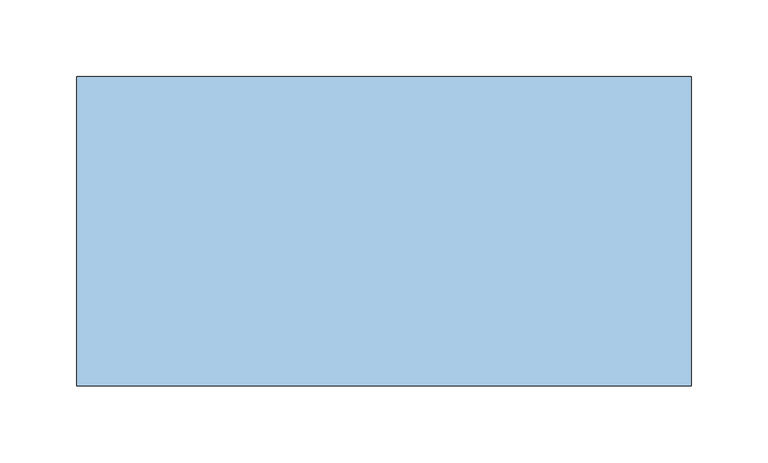
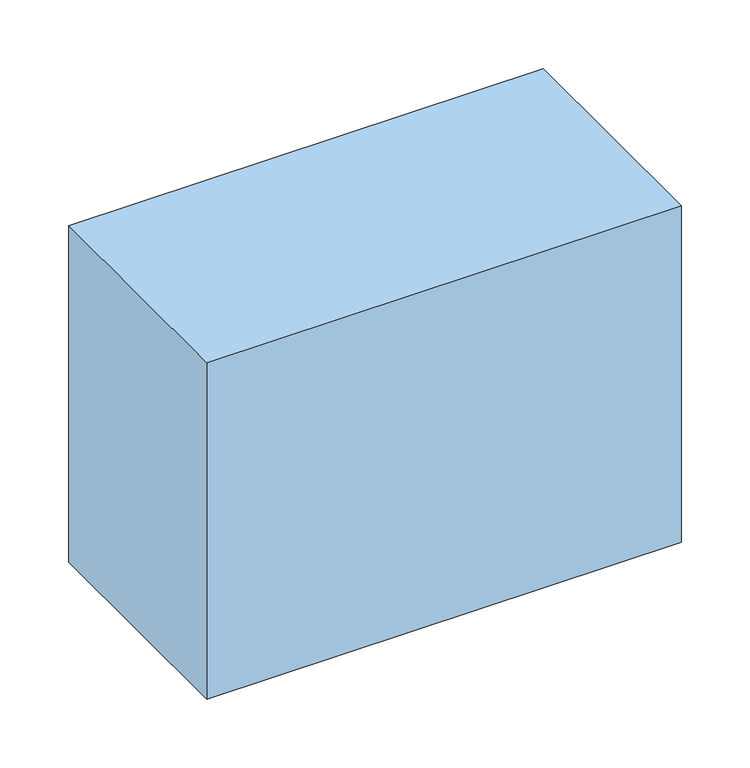
"""IFC4 building model written with IfcOpenShell, lengths in millimetres: window geometry."""

from ifc_helpers import new_model, si_unit, frame, origin, place, context, project, spatial, polyline, outline, extrude, source, transform, mapped, element, save


def window_8d913581(model_context):
    return source(origin(), model_context, "Body", "SweptSolid", [
        extrude(outline(polyline([(150.0, -101.4716825), (-250.0, -101.4716825), (-250.0, 100.0), (150.0, 100.0), (150.0, -101.4716825)])), frame((0.0, 0.0, -300.0), z_axis=(0.0, 0.0, 1.0), x_axis=(1.0, 0.0, 0.0)), (0.0, 0.0, 1.0), 300.0),
    ])


if __name__ == "__main__":
    model = new_model("IFC4")
    model_context = context("Model", 3, world=origin())
    ifc_project = project(units=[si_unit("LENGTHUNIT", "METRE", prefix="MILLI")], contexts=[model_context])
    site = spatial("IfcSite", under=ifc_project)
    building = spatial("IfcBuilding", under=site)
    placement = place(None, origin())
    window_shape = window_8d913581(model_context)
    element("IfcWindow", 1, at=placement, inside=building, context=model_context, shape_type="MappedRepresentation", body=[
        mapped(window_shape, transform((0.0, 0.0, 0.0), x_axis=(1.0, 0.0, 0.0), y_axis=(0.0, 1.0, 0.0), z_axis=(0.0, 0.0, 1.0))),
    ])
    save(model, "model.ifc")
